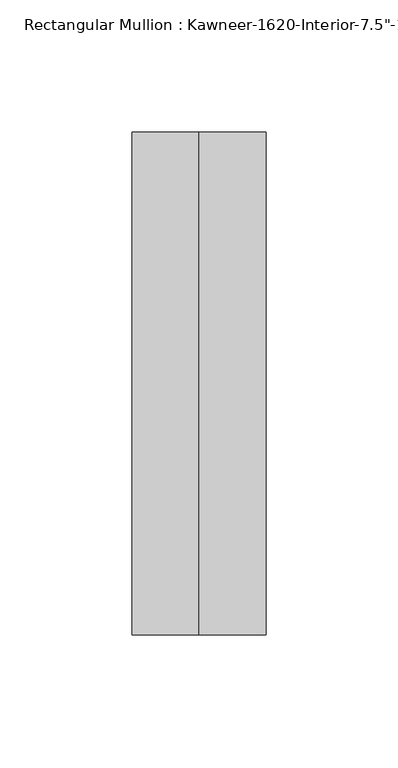
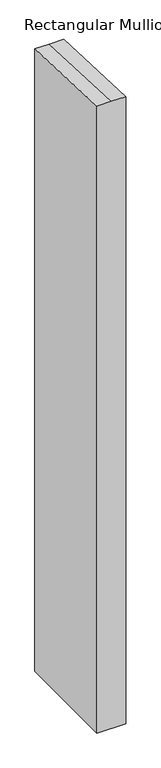
"""IFC4 building model written with IfcOpenShell, lengths in millimetres: member geometry."""

from ifc_helpers import new_model, si_unit, origin, place, context, project, spatial, faceted_brep, source, transform, mapped, element, save


def member_7547f8b5(model_context):
    return source(origin(), model_context, "Body", "Brep", [
        faceted_brep([(25.4, -152.4, -1167.880317), (-25.4, -152.4, -1167.880317), (-25.4, 38.1, -1167.880317), (25.4, 38.1, -1167.880317), (25.4, 38.1, -1.6634819), (25.4, -152.4, 6.6539277), (-25.4, 38.1, -1.6634819), (0.0, 38.1, -1.6634819), (-25.4, -152.4, 6.6539277), (0.0, -152.4, 6.6539277)], [[[0, 1, 2, 3]], [[4, 5, 0, 3]], [[6, 7, 4, 3, 2]], [[8, 6, 2, 1]], [[5, 9, 8, 1, 0]], [[5, 4, 7, 9]], [[7, 6, 8, 9]]]),
    ])


if __name__ == "__main__":
    model = new_model("IFC4")
    model_context = context("Model", 3, world=origin())
    ifc_project = project(units=[si_unit("LENGTHUNIT", "METRE", prefix="MILLI")], contexts=[model_context])
    site = spatial("IfcSite", under=ifc_project)
    building = spatial("IfcBuilding", under=site)
    placement = place(None, origin())
    member_shape = member_7547f8b5(model_context)
    element("IfcMember", 1, ObjectType="Rectangular Mullion : Kawneer-1620-Interior-7.5\"-1\"Infill", at=placement, inside=building, context=model_context, shape_type="MappedRepresentation", body=[
        mapped(member_shape, transform((0.0, 0.0, 0.0), x_axis=(1.0, 0.0, 0.0), y_axis=(0.0, 1.0, 0.0), z_axis=(0.0, 0.0, 1.0))),
    ])
    save(model, "model.ifc")
